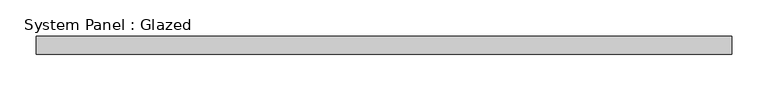
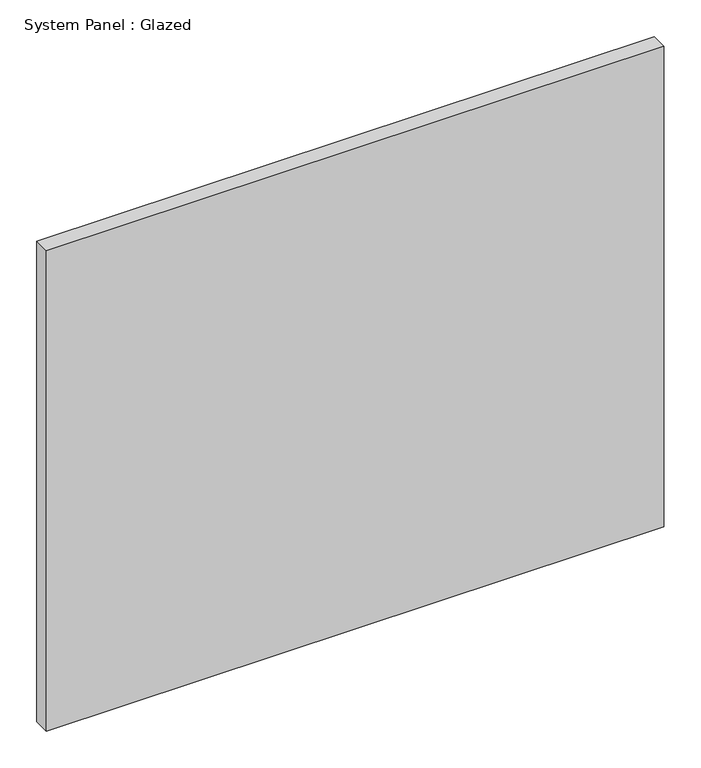
"""IFC4 building model written with IfcOpenShell, lengths in millimetres: plate geometry, System Panel : Glazed."""

from ifc_helpers import new_model, si_unit, origin, origin_with_axes, place, context, project, spatial, polyline, outline, extrude, source, transform, mapped, element, save


def system_panel_glazed_148ced6f(model_context):
    return source(origin(), model_context, "Body", "SweptSolid", [
        extrude(outline(polyline([(482.6, -44.45), (-482.6, -44.45), (-482.6, -19.05), (482.6, -19.05), (482.6, -44.45)])), origin_with_axes(), (0.0, 0.0, 1.0), 793.75),
    ])


if __name__ == "__main__":
    model = new_model("IFC4")
    model_context = context("Model", 3, world=origin())
    ifc_project = project(units=[si_unit("LENGTHUNIT", "METRE", prefix="MILLI")], contexts=[model_context])
    site = spatial("IfcSite", under=ifc_project)
    building = spatial("IfcBuilding", under=site)
    placement = place(None, origin())
    system_panel_glazed_shape = system_panel_glazed_148ced6f(model_context)
    element("IfcPlate", 1, ObjectType="System Panel : Glazed", at=placement, inside=building, context=model_context, shape_type="MappedRepresentation", body=[
        mapped(system_panel_glazed_shape, transform((0.0, 0.0, 0.0), x_axis=(1.0, 0.0, 0.0), y_axis=(0.0, 1.0, 0.0), z_axis=(0.0, 0.0, 1.0))),
    ])
    save(model, "model.ifc")
